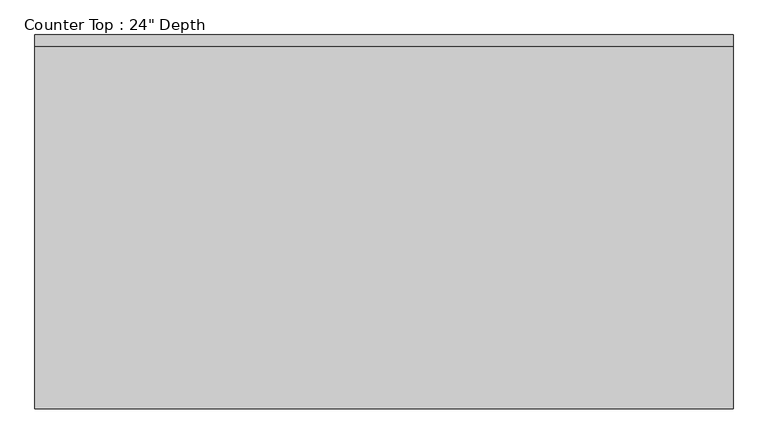
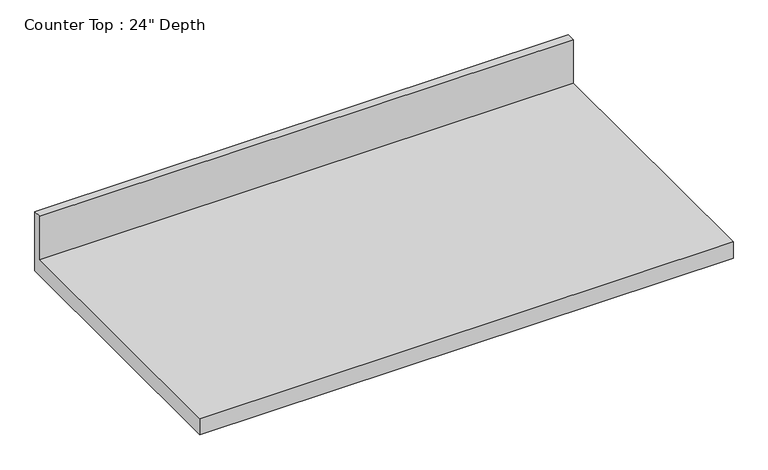
"""IFC4 building model written with IfcOpenShell, lengths in millimetres: furniture geometry."""

from ifc_helpers import new_model, si_unit, frame, origin, place, context, project, spatial, polyline, outline, extrude, source, transform, mapped, element, save


def furniture_c45ffcd8(model_context):
    return source(origin(), model_context, "Body", "SweptSolid", [
        extrude(outline(polyline([(0.0, 1016.0), (0.0, 876.3), (-635.0, 876.3), (-635.0, 914.4), (-19.05, 914.4), (-19.05, 1016.0), (0.0, 1016.0)])), frame((-1200.4622951, 0.0, 0.0), z_axis=(1.0, 0.0, 0.0), x_axis=(0.0, 1.0, 0.0)), (0.0, 0.0, 1.0), 1185.6448776),
    ])


if __name__ == "__main__":
    model = new_model("IFC4")
    model_context = context("Model", 3, world=origin())
    ifc_project = project(units=[si_unit("LENGTHUNIT", "METRE", prefix="MILLI")], contexts=[model_context])
    site = spatial("IfcSite", under=ifc_project)
    building = spatial("IfcBuilding", under=site)
    placement = place(None, origin())
    furniture_shape = furniture_c45ffcd8(model_context)
    element("IfcFurniture", 1, ObjectType="Counter Top : 24\" Depth", at=placement, inside=building, context=model_context, shape_type="MappedRepresentation", body=[
        mapped(furniture_shape, transform((0.0, 0.0, 0.0), x_axis=(1.0, 0.0, 0.0), y_axis=(0.0, 1.0, 0.0), z_axis=(0.0, 0.0, 1.0))),
    ])
    save(model, "model.ifc")
